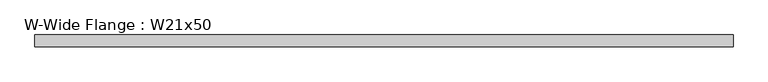
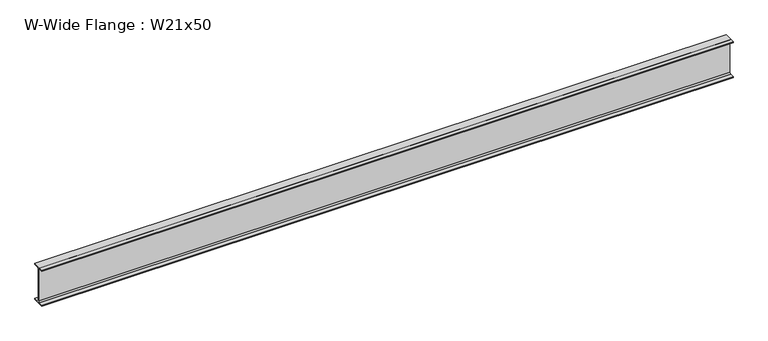
"""IFC4 building model written with IfcOpenShell, lengths in millimetres: beam geometry, W-Wide Flange : W21x50."""

from ifc_helpers import new_model, si_unit, point, frame, frame_2d, origin, place, context, project, spatial, polyline, circle_curve, trimmed, segment, composite_curve, outline, extrude, source, transform, mapped, element, save


def w_wide_flange_w21x50_82654e61(model_context):
    return source(origin(), model_context, "Body", "SweptSolid", [
        extrude(outline(composite_curve([segment(polyline([(82.931, -250.571), (82.931, -264.16), (-82.931, -264.16), (-82.931, -250.571), (-22.987, -250.571)]), True, "CONTINUOUS"), segment(trimmed(circle_curve(frame_2d((-22.987, -232.41)), 18.161), [point((-22.987, -250.571))], [point((-4.826, -232.41))], True, "CARTESIAN"), True, "CONTINUOUS"), segment(polyline([(-4.826, -232.41), (-4.826, 232.41)]), True, "CONTINUOUS"), segment(trimmed(circle_curve(frame_2d((-22.987, 232.41)), 18.161), [point((-4.826, 232.41))], [point((-22.987, 250.571))], True, "CARTESIAN"), True, "CONTINUOUS"), segment(polyline([(-22.987, 250.571), (-82.931, 250.571), (-82.931, 264.16), (82.931, 264.16), (82.931, 250.571), (22.987, 250.571)]), True, "CONTINUOUS"), segment(trimmed(circle_curve(frame_2d((22.987, 232.41)), 18.161), [point((22.987, 250.571))], [point((4.826, 232.41))], True, "CARTESIAN"), True, "CONTINUOUS"), segment(polyline([(4.826, 232.41), (4.826, -232.41)]), True, "CONTINUOUS"), segment(trimmed(circle_curve(frame_2d((22.987, -232.41)), 18.161), [point((4.826, -232.41))], [point((22.987, -250.571))], True, "CARTESIAN"), True, "CONTINUOUS"), segment(polyline([(22.987, -250.571), (82.931, -250.571)]), True, "CONTINUOUS")], self_intersect=False)), frame((-4814.3600335, 0.0, 0.0), z_axis=(1.0, 0.0, 0.0), x_axis=(0.0, 1.0, 0.0)), (0.0, 0.0, 1.0), 9628.719673),
    ])


if __name__ == "__main__":
    model = new_model("IFC4")
    model_context = context("Model", 3, world=origin())
    ifc_project = project(units=[si_unit("LENGTHUNIT", "METRE", prefix="MILLI")], contexts=[model_context])
    site = spatial("IfcSite", under=ifc_project)
    building = spatial("IfcBuilding", under=site)
    placement = place(None, origin())
    w_wide_flange_w21x50_shape = w_wide_flange_w21x50_82654e61(model_context)
    element("IfcBeam", 1, ObjectType="W-Wide Flange : W21x50", at=placement, inside=building, context=model_context, shape_type="MappedRepresentation", body=[
        mapped(w_wide_flange_w21x50_shape, transform((0.0, 0.0, 0.0), x_axis=(1.0, 0.0, 0.0), y_axis=(0.0, 1.0, 0.0), z_axis=(0.0, 0.0, 1.0))),
    ])
    save(model, "model.ifc")
